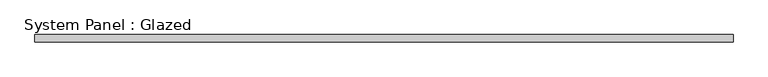
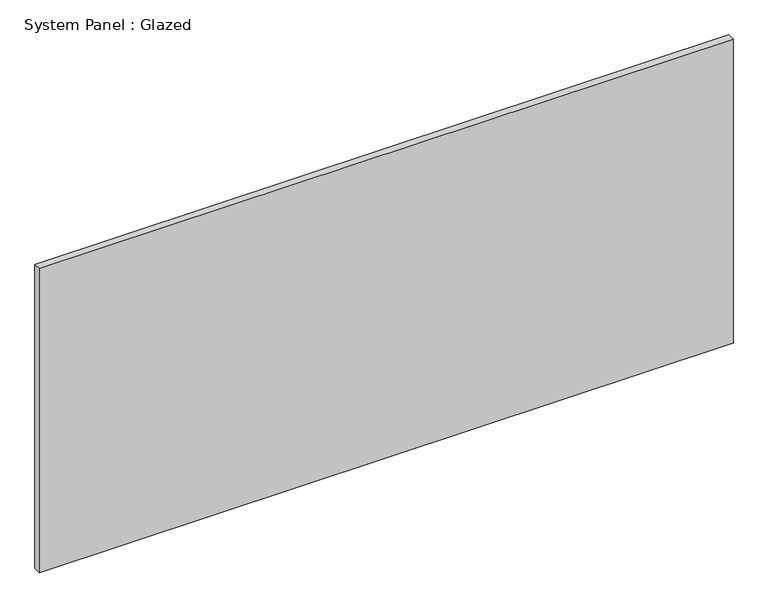
"""IFC4 building model written with IfcOpenShell, lengths in millimetres: plate geometry, System Panel : Glazed."""

from ifc_helpers import new_model, si_unit, origin, origin_with_axes, place, context, project, spatial, polyline, outline, extrude, source, transform, mapped, element, save


def system_panel_glazed_c0dbf393(model_context):
    return source(origin(), model_context, "Body", "SweptSolid", [
        extrude(outline(polyline([(1212.5266214, 19.05), (-1212.5266214, 19.05), (-1212.5266214, 44.45), (1212.5266214, 44.45), (1212.5266214, 19.05)])), origin_with_axes(), (0.0, 0.0, 1.0), 1123.95),
    ])


if __name__ == "__main__":
    model = new_model("IFC4")
    model_context = context("Model", 3, world=origin())
    ifc_project = project(units=[si_unit("LENGTHUNIT", "METRE", prefix="MILLI")], contexts=[model_context])
    site = spatial("IfcSite", under=ifc_project)
    building = spatial("IfcBuilding", under=site)
    placement = place(None, origin())
    system_panel_glazed_shape = system_panel_glazed_c0dbf393(model_context)
    element("IfcPlate", 1, ObjectType="System Panel : Glazed", at=placement, inside=building, context=model_context, shape_type="MappedRepresentation", body=[
        mapped(system_panel_glazed_shape, transform((0.0, 0.0, 0.0), x_axis=(1.0, 0.0, 0.0), y_axis=(0.0, 1.0, 0.0), z_axis=(0.0, 0.0, 1.0))),
    ])
    save(model, "model.ifc")
